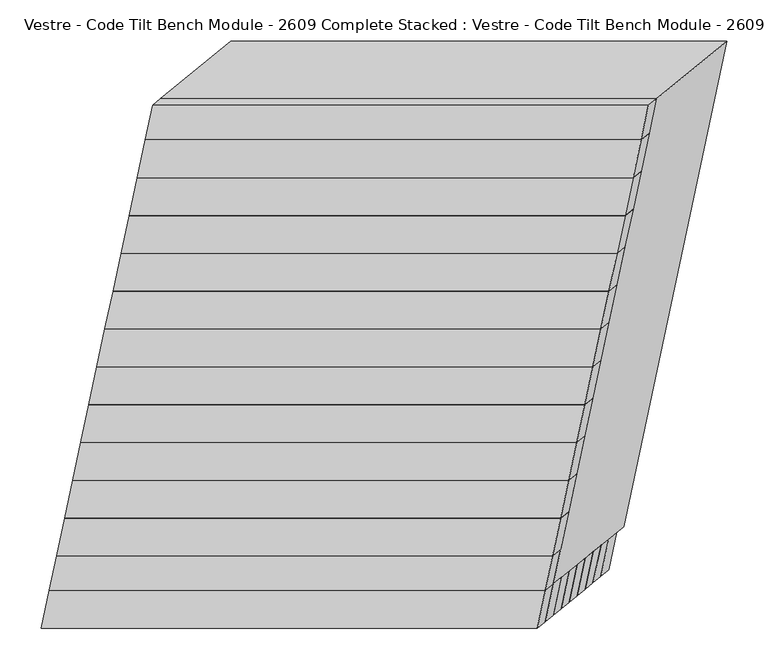
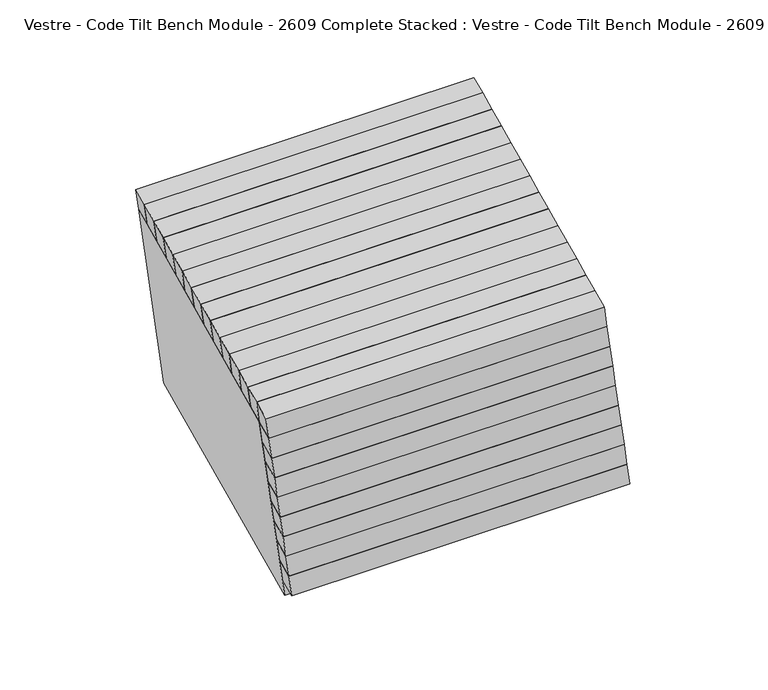
"""IFC4 building model written with IfcOpenShell, lengths in millimetres: furniture geometry, Vestre - Code Tilt Bench Module - 2609 Complete Stacked : Vestre - Code Tilt Bench Module - 2609 Complete Stacked."""

from ifc_helpers import new_model, si_unit, origin, place, context, project, spatial, faceted_brep, source, transform, mapped, element, save


def vestre_code_tilt_bench_module_2609_complete_stacked_vestre_69b278d0(model_context):
    return source(origin(), model_context, "Body", "Brep", [
        faceted_brep([(-447.3220091, -432.512587, 817.7590999), (-457.0790396, -478.4158065, 817.7590999), (142.9209604, -478.4158065, 817.7590999), (152.6779909, -432.512587, 817.7590999), (-437.6805725, -424.6378724, 772.6919126), (162.3194275, -424.6378724, 772.6919126), (152.5623969, -470.5410919, 772.6919126), (-447.4376031, -470.5410919, 772.6919126)], [[[0, 1, 2, 3]], [[4, 5, 6, 7]], [[5, 4, 0, 3]], [[6, 5, 3, 2]], [[7, 6, 2, 1]], [[4, 7, 1, 0]]]),
        faceted_brep([(-341.1105248, 104.6578383, 862.9456861), (-350.8347915, 58.9087607, 862.9456861), (249.1652085, 58.9087607, 862.9456861), (258.8894752, 104.6578383, 862.9456861), (-331.4646537, 112.5534159, 817.7590999), (268.5353463, 112.5534159, 817.7590999), (258.8110797, 66.8043382, 817.7590999), (-341.1889203, 66.8043382, 817.7590999)], [[[0, 1, 2, 3]], [[4, 5, 6, 7]], [[5, 4, 0, 3]], [[6, 5, 3, 2]], [[7, 6, 2, 1]], [[4, 7, 1, 0]]]),
        faceted_brep([(-350.8347915, 58.9087607, 862.9456861), (-360.5590581, 13.159683, 862.9456861), (239.4409419, 13.159683, 862.9456861), (249.1652085, 58.9087607, 862.9456861), (-341.1889203, 66.8043382, 817.7590999), (258.8110797, 66.8043382, 817.7590999), (249.086813, 21.0552605, 817.7590999), (-350.913187, 21.0552605, 817.7590999)], [[[0, 1, 2, 3]], [[4, 5, 6, 7]], [[5, 4, 0, 3]], [[6, 5, 3, 2]], [[7, 6, 2, 1]], [[4, 7, 1, 0]]]),
        faceted_brep([(-360.5590581, 13.159683, 862.9456861), (-370.2833247, -32.5893947, 862.9456861), (229.7166753, -32.5893947, 862.9456861), (239.4409419, 13.159683, 862.9456861), (-350.913187, 21.0552605, 817.7590999), (249.086813, 21.0552605, 817.7590999), (239.3625464, -24.6938171, 817.7590999), (-360.6374536, -24.6938171, 817.7590999)], [[[0, 1, 2, 3]], [[4, 5, 6, 7]], [[5, 4, 0, 3]], [[6, 5, 3, 2]], [[7, 6, 2, 1]], [[4, 7, 1, 0]]]),
        faceted_brep([(-370.2833247, -32.5893947, 862.9456861), (-380.0075914, -78.3384723, 862.9456861), (219.9924086, -78.3384723, 862.9456861), (229.7166753, -32.5893947, 862.9456861), (-360.6374536, -24.6938171, 817.7590999), (239.3625464, -24.6938171, 817.7590999), (229.6382797, -70.4428948, 817.7590999), (-370.3617203, -70.4428948, 817.7590999)], [[[0, 1, 2, 3]], [[4, 5, 6, 7]], [[5, 4, 0, 3]], [[6, 5, 3, 2]], [[7, 6, 2, 1]], [[4, 7, 1, 0]]]),
        faceted_brep([(-380.0075914, -78.3384723, 862.9456861), (-389.731858, -124.08755, 862.9456861), (210.268142, -124.08755, 862.9456861), (219.9924086, -78.3384723, 862.9456861), (-370.3617203, -70.4428948, 817.7590999), (229.6382797, -70.4428948, 817.7590999), (219.9140131, -116.1919724, 817.7590999), (-380.0859869, -116.1919724, 817.7590999)], [[[0, 1, 2, 3]], [[4, 5, 6, 7]], [[5, 4, 0, 3]], [[6, 5, 3, 2]], [[7, 6, 2, 1]], [[4, 7, 1, 0]]]),
        faceted_brep([(-389.731858, -124.08755, 862.9456861), (-399.4561247, -169.8366276, 862.9456861), (200.5438753, -169.8366276, 862.9456861), (210.268142, -124.08755, 862.9456861), (-380.0859869, -116.1919724, 817.7590999), (219.9140131, -116.1919724, 817.7590999), (210.1897464, -161.9410501, 817.7590999), (-389.8102536, -161.9410501, 817.7590999)], [[[0, 1, 2, 3]], [[4, 5, 6, 7]], [[5, 4, 0, 3]], [[6, 5, 3, 2]], [[7, 6, 2, 1]], [[4, 7, 1, 0]]]),
        faceted_brep([(-399.4561247, -169.8366276, 862.9456861), (-409.1803913, -215.5857053, 862.9456861), (190.8196087, -215.5857053, 862.9456861), (200.5438753, -169.8366276, 862.9456861), (-389.8102536, -161.9410501, 817.7590999), (210.1897464, -161.9410501, 817.7590999), (200.4654798, -207.6901278, 817.7590999), (-399.5345202, -207.6901278, 817.7590999)], [[[0, 1, 2, 3]], [[4, 5, 6, 7]], [[5, 4, 0, 3]], [[6, 5, 3, 2]], [[7, 6, 2, 1]], [[4, 7, 1, 0]]]),
        faceted_brep([(-409.1803913, -215.5857053, 862.9456861), (-418.904658, -261.334783, 862.9456861), (181.095342, -261.334783, 862.9456861), (190.8196087, -215.5857053, 862.9456861), (-399.5345202, -207.6901278, 817.7590999), (200.4654798, -207.6901278, 817.7590999), (190.7412131, -253.4392054, 817.7590999), (-409.2587869, -253.4392054, 817.7590999)], [[[0, 1, 2, 3]], [[4, 5, 6, 7]], [[5, 4, 0, 3]], [[6, 5, 3, 2]], [[7, 6, 2, 1]], [[4, 7, 1, 0]]]),
        faceted_brep([(-418.904658, -261.334783, 862.9456861), (-428.6289246, -307.0838606, 862.9456861), (171.3710754, -307.0838606, 862.9456861), (181.095342, -261.334783, 862.9456861), (-409.2587869, -253.4392054, 817.7590999), (190.7412131, -253.4392054, 817.7590999), (181.0169465, -299.1882831, 817.7590999), (-418.9830535, -299.1882831, 817.7590999)], [[[0, 1, 2, 3]], [[4, 5, 6, 7]], [[5, 4, 0, 3]], [[6, 5, 3, 2]], [[7, 6, 2, 1]], [[4, 7, 1, 0]]]),
        faceted_brep([(-428.6289246, -307.0838606, 862.9456861), (-438.3531913, -352.8329383, 862.9456861), (161.6468087, -352.8329383, 862.9456861), (171.3710754, -307.0838606, 862.9456861), (-418.9830535, -299.1882831, 817.7590999), (181.0169465, -299.1882831, 817.7590999), (171.2926799, -344.9373608, 817.7590999), (-428.7073201, -344.9373608, 817.7590999)], [[[0, 1, 2, 3]], [[4, 5, 6, 7]], [[5, 4, 0, 3]], [[6, 5, 3, 2]], [[7, 6, 2, 1]], [[4, 7, 1, 0]]]),
        faceted_brep([(-438.3531913, -352.8329383, 862.9456861), (-448.0774579, -398.5820159, 862.9456861), (151.9225421, -398.5820159, 862.9456861), (161.6468087, -352.8329383, 862.9456861), (-428.7073201, -344.9373608, 817.7590999), (171.2926799, -344.9373608, 817.7590999), (161.5684132, -390.6864384, 817.7590999), (-438.4315868, -390.6864384, 817.7590999)], [[[0, 1, 2, 3]], [[4, 5, 6, 7]], [[5, 4, 0, 3]], [[6, 5, 3, 2]], [[7, 6, 2, 1]], [[4, 7, 1, 0]]]),
        faceted_brep([(-332.2201025, 146.4839869, 862.9456861), (-341.1105248, 104.6578383, 862.9456861), (258.8894752, 104.6578383, 862.9456861), (267.7798975, 146.4839869, 862.9456861), (-322.5749946, 154.3759734, 817.7590999), (277.4250054, 154.3759734, 817.7590999), (268.5353463, 112.5534159, 817.7590999), (-331.4646537, 112.5534159, 817.7590999)], [[[0, 1, 2, 3]], [[4, 5, 6, 7]], [[5, 4, 0, 3]], [[6, 5, 3, 2]], [[7, 6, 2, 1]], [[4, 7, 1, 0]]]),
        faceted_brep([(152.6779909, -432.512587, 817.7590999), (277.4250054, 154.3759734, 817.7590999), (-322.5749946, 154.3759734, 817.7590999), (-447.3220091, -432.512587, 817.7590999), (111.5950883, -381.7550373, 817.7590999), (-384.6614061, -381.7550373, 817.7590999), (-279.0561813, 115.0784827, 817.7590999), (217.200313, 115.0784827, 817.7590999), (237.6264928, -362.9784336, 419.8134138), (-362.3735072, -362.9784336, 419.8134138), (-237.6264928, 223.9101268, 419.8134138), (362.3735072, 223.9101268, 419.8134138), (-299.7129042, -312.2208839, 419.8134138), (196.5435902, -312.2208839, 419.8134138), (300.1061699, 175.0027468, 419.8134138), (-196.1503245, 175.0027468, 419.8134138), (-393.776434, -424.6378724, 772.6919126), (112.2821604, -424.6378724, 772.6919126), (183.8977101, -371.7150723, 469.8134138), (-322.1608844, -371.7150723, 469.8134138), (115.1443609, -378.8497987, 801.1323473), (-381.1121334, -378.8497987, 801.1323473), (-303.7973866, -315.5642157, 438.9473846), (192.4591078, -315.5642157, 438.9473846), (-275.5922534, 117.5822061, 801.1323473), (-200.1365927, 172.1214764, 438.9473846), (220.664241, 117.5822061, 801.1323473), (296.1199017, 172.1214764, 438.9473846), (127.6313712, -402.504945, 801.1323473), (-414.2091441, -402.504945, 801.1323473), (-298.365818, 142.495055, 801.1323473), (243.4746973, 142.495055, 801.1323473), (225.4868228, -342.4122939, 438.9473846), (340.8394593, 200.279193, 438.9473846), (-228.3217228, 200.279193, 438.9473846), (-343.6743593, -342.4122939, 438.9473846), (117.9896611, -397.7861927, 772.6919126), (-388.0689333, -397.7861927, 772.6919126), (-317.0209312, -347.5334936, 469.8134138), (189.0376633, -347.5334936, 469.8134138)], [[[0, 1, 2, 3], [4, 5, 6, 7]], [[8, 9, 10, 11], [12, 13, 14, 15]], [[0, 3, 9, 8], [16, 17, 18, 19]], [[3, 2, 10, 9]], [[2, 1, 11, 10]], [[1, 0, 8, 11]], [[5, 4, 20, 21]], [[13, 12, 22, 23]], [[6, 5, 21, 24]], [[12, 15, 25, 22]], [[7, 6, 24, 26]], [[15, 14, 27, 25]], [[4, 7, 26, 20]], [[14, 13, 23, 27]], [[28, 29, 30, 31], [21, 20, 26, 24]], [[32, 33, 34, 35], [23, 22, 25, 27]], [[29, 28, 32, 35], [36, 37, 38, 39]], [[30, 29, 35, 34]], [[31, 30, 34, 33]], [[28, 31, 33, 32]], [[16, 37, 36, 17]], [[38, 19, 18, 39]], [[37, 16, 19, 38]], [[17, 36, 39, 18]]]),
        faceted_brep([(-379.9793258, -377.3895846, 502.2887889), (-389.7363564, -423.2928042, 502.2887889), (210.2636436, -423.2928042, 502.2887889), (220.0206742, -377.3895846, 502.2887889), (-370.3378893, -369.51487, 457.2216016), (229.6621107, -369.51487, 457.2216016), (219.9050802, -415.4180896, 457.2216016), (-380.0949198, -415.4180896, 457.2216016)], [[[0, 1, 2, 3]], [[4, 5, 6, 7]], [[5, 4, 0, 3]], [[6, 5, 3, 2]], [[7, 6, 2, 1]], [[4, 7, 1, 0]]]),
        faceted_brep([(-389.6207624, -385.2642993, 547.3559762), (-399.3777929, -431.1675188, 547.3559762), (200.6222071, -431.1675188, 547.3559762), (210.3792376, -385.2642993, 547.3559762), (-379.9793258, -377.3895846, 502.2887889), (220.0206742, -377.3895846, 502.2887889), (210.2636436, -423.2928042, 502.2887889), (-389.7363564, -423.2928042, 502.2887889)], [[[0, 1, 2, 3]], [[4, 5, 6, 7]], [[5, 4, 0, 3]], [[6, 5, 3, 2]], [[7, 6, 2, 1]], [[4, 7, 1, 0]]]),
        faceted_brep([(-399.2411457, -393.1390139, 592.4231635), (-408.9981763, -439.0422334, 592.4231635), (191.0018237, -439.0422334, 592.4231635), (200.7588543, -393.1390139, 592.4231635), (-389.5997092, -385.2642993, 547.3559762), (210.4002908, -385.2642993, 547.3559762), (200.6432603, -431.1675188, 547.3559762), (-399.3567397, -431.1675188, 547.3559762)], [[[0, 1, 2, 3]], [[4, 5, 6, 7]], [[5, 4, 0, 3]], [[6, 5, 3, 2]], [[7, 6, 2, 1]], [[4, 7, 1, 0]]]),
        faceted_brep([(-408.8615291, -401.0137285, 637.4903508), (-418.6185596, -446.916948, 637.4903508), (181.3814404, -446.916948, 637.4903508), (191.1384709, -401.0137285, 637.4903508), (-399.2200925, -393.1390139, 592.4231635), (200.7799075, -393.1390139, 592.4231635), (191.022877, -439.0422334, 592.4231635), (-408.977123, -439.0422334, 592.4231635)], [[[0, 1, 2, 3]], [[4, 5, 6, 7]], [[5, 4, 0, 3]], [[6, 5, 3, 2]], [[7, 6, 2, 1]], [[4, 7, 1, 0]]]),
        faceted_brep([(-418.4819124, -408.8884431, 682.557538), (-428.2389429, -454.7916627, 682.557538), (171.7610571, -454.7916627, 682.557538), (181.5180876, -408.8884431, 682.557538), (-408.8404758, -401.0137285, 637.4903508), (191.1595242, -401.0137285, 637.4903508), (181.4024937, -446.916948, 637.4903508), (-418.5975063, -446.916948, 637.4903508)], [[[0, 1, 2, 3]], [[4, 5, 6, 7]], [[5, 4, 0, 3]], [[6, 5, 3, 2]], [[7, 6, 2, 1]], [[4, 7, 1, 0]]]),
        faceted_brep([(-428.1022957, -416.7631578, 727.6247253), (-437.8593262, -462.6663773, 727.6247253), (162.1406738, -462.6663773, 727.6247253), (171.8977043, -416.7631578, 727.6247253), (-418.4608591, -408.8884431, 682.557538), (181.5391409, -408.8884431, 682.557538), (171.7821103, -454.7916627, 682.557538), (-428.2178897, -454.7916627, 682.557538)], [[[0, 1, 2, 3]], [[4, 5, 6, 7]], [[5, 4, 0, 3]], [[6, 5, 3, 2]], [[7, 6, 2, 1]], [[4, 7, 1, 0]]]),
        faceted_brep([(-437.6805725, -424.6378724, 772.6919126), (-447.4376031, -470.5410919, 772.6919126), (152.5623969, -470.5410919, 772.6919126), (162.3194275, -424.6378724, 772.6919126), (-428.039136, -416.7631578, 727.6247253), (171.960864, -416.7631578, 727.6247253), (162.2038335, -462.6663773, 727.6247253), (-437.7961665, -462.6663773, 727.6247253)], [[[0, 1, 2, 3]], [[4, 5, 6, 7]], [[5, 4, 0, 3]], [[6, 5, 3, 2]], [[7, 6, 2, 1]], [[4, 7, 1, 0]]]),
        faceted_brep([(-448.0774579, -398.5820159, 862.9456861), (-456.9678803, -440.4081645, 862.9456861), (143.0321197, -440.4081645, 862.9456861), (151.9225421, -398.5820159, 862.9456861), (-438.4315868, -390.6864384, 817.7590999), (161.5684132, -390.6864384, 817.7590999), (152.6779909, -432.512587, 817.7590999), (-447.3220091, -432.512587, 817.7590999)], [[[0, 1, 2, 3]], [[4, 5, 6, 7]], [[5, 4, 0, 3]], [[6, 5, 3, 2]], [[7, 6, 2, 1]], [[4, 7, 1, 0]]]),
        faceted_brep([(-456.9678803, -440.4081645, 862.9456861), (-466.7241475, -486.307793, 862.9456861), (133.2758525, -486.307793, 862.9456861), (143.0321197, -440.4081645, 862.9456861), (-447.3220091, -432.512587, 817.7590999), (152.6779909, -432.512587, 817.7590999), (142.9209604, -478.4158065, 817.7590999), (-457.0790396, -478.4158065, 817.7590999)], [[[0, 1, 2, 3]], [[4, 5, 6, 7]], [[5, 4, 0, 3]], [[6, 5, 3, 2]], [[7, 6, 2, 1]], [[4, 7, 1, 0]]]),
    ])


if __name__ == "__main__":
    model = new_model("IFC4")
    model_context = context("Model", 3, world=origin())
    ifc_project = project(units=[si_unit("LENGTHUNIT", "METRE", prefix="MILLI")], contexts=[model_context])
    site = spatial("IfcSite", under=ifc_project)
    building = spatial("IfcBuilding", under=site)
    placement = place(None, origin())
    vestre_code_tilt_bench_module_2609_complete_stacked_vestre_shape = vestre_code_tilt_bench_module_2609_complete_stacked_vestre_69b278d0(model_context)
    element("IfcFurniture", 1, ObjectType="Vestre - Code Tilt Bench Module - 2609 Complete Stacked : Vestre - Code Tilt Bench Module - 2609 Complete Stacked", at=placement, inside=building, context=model_context, shape_type="MappedRepresentation", body=[
        mapped(vestre_code_tilt_bench_module_2609_complete_stacked_vestre_shape, transform((0.0, 0.0, 0.0), x_axis=(1.0, 0.0, 0.0), y_axis=(0.0, 1.0, 0.0), z_axis=(0.0, 0.0, 1.0))),
    ])
    save(model, "model.ifc")
